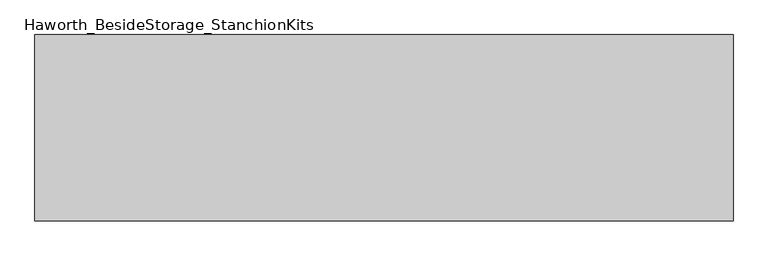
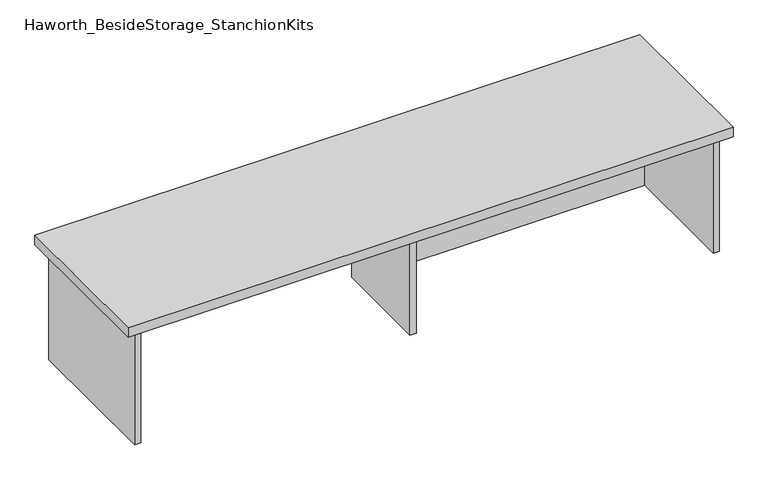
"""IFC4 building model written with IfcOpenShell, lengths in millimetres: furniture geometry, Haworth_BesideStorage_StanchionKits."""

from ifc_helpers import new_model, si_unit, frame, origin, place, context, project, spatial, polyline, outline, extrude, source, transform, mapped, element, save


def haworth_besidestorage_stanchionkits_3d381ed6(model_context):
    return source(origin(), model_context, "Body", "SweptSolid", [
        extrude(outline(polyline([(923.925, 0.0), (923.925, -406.4), (-600.075, -406.4), (-600.075, 0.0), (923.925, 0.0)])), frame((0.0, 0.0, 736.6), z_axis=(0.0, 0.0, 1.0), x_axis=(1.0, 0.0, 0.0)), (0.0, 0.0, 1.0), 25.4),
        extrude(outline(polyline([(169.8625, -76.2), (882.65, -76.2), (882.65, -92.075), (169.8625, -92.075), (169.8625, -76.2)])), frame((0.0, 0.0, 431.8), z_axis=(0.0, 0.0, 1.0), x_axis=(1.0, 0.0, 0.0)), (0.0, 0.0, 1.0), 304.8),
        extrude(outline(polyline([(169.8625, -330.2), (153.9875, -330.2), (153.9875, -76.2), (169.8625, -76.2), (169.8625, -330.2)])), frame((0.0, 0.0, 431.8), z_axis=(0.0, 0.0, 1.0), x_axis=(1.0, 0.0, 0.0)), (0.0, 0.0, 1.0), 304.8),
        extrude(outline(polyline([(898.525, -390.525), (882.65, -390.525), (882.65, -15.875), (898.525, -15.875), (898.525, -390.525)])), frame((0.0, 0.0, 431.8), z_axis=(0.0, 0.0, 1.0), x_axis=(1.0, 0.0, 0.0)), (0.0, 0.0, 1.0), 304.8),
        extrude(outline(polyline([(-558.8, -390.525), (-574.675, -390.525), (-574.675, -15.875), (-558.8, -15.875), (-558.8, -390.525)])), frame((0.0, 0.0, 431.8), z_axis=(0.0, 0.0, 1.0), x_axis=(1.0, 0.0, 0.0)), (0.0, 0.0, 1.0), 304.8),
    ])


if __name__ == "__main__":
    model = new_model("IFC4")
    model_context = context("Model", 3, world=origin())
    ifc_project = project(units=[si_unit("LENGTHUNIT", "METRE", prefix="MILLI")], contexts=[model_context])
    site = spatial("IfcSite", under=ifc_project)
    building = spatial("IfcBuilding", under=site)
    placement = place(None, origin())
    haworth_besidestorage_stanchionkits_shape = haworth_besidestorage_stanchionkits_3d381ed6(model_context)
    element("IfcFurniture", 1, ObjectType="Haworth_BesideStorage_StanchionKits", at=placement, inside=building, context=model_context, shape_type="MappedRepresentation", body=[
        mapped(haworth_besidestorage_stanchionkits_shape, transform((0.0, 0.0, 0.0), x_axis=(1.0, 0.0, 0.0), y_axis=(0.0, 1.0, 0.0), z_axis=(0.0, 0.0, 1.0))),
    ])
    save(model, "model.ifc")
